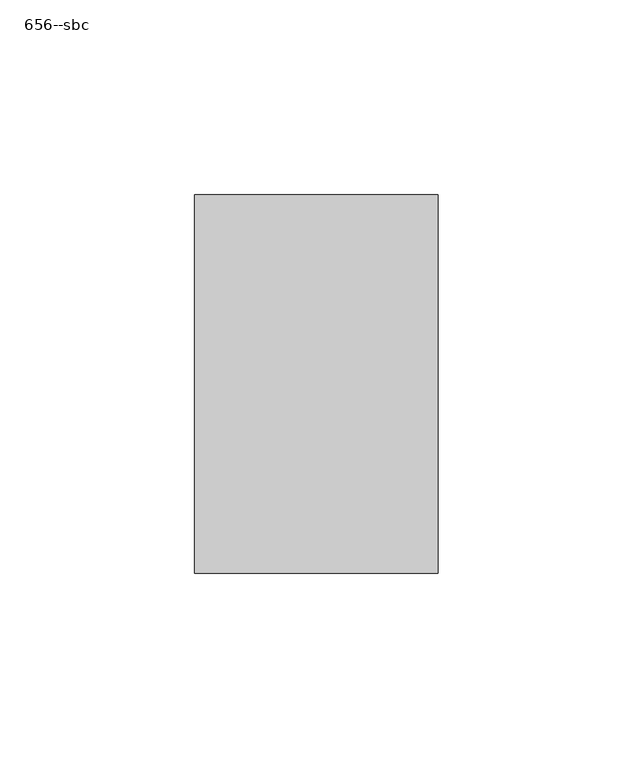
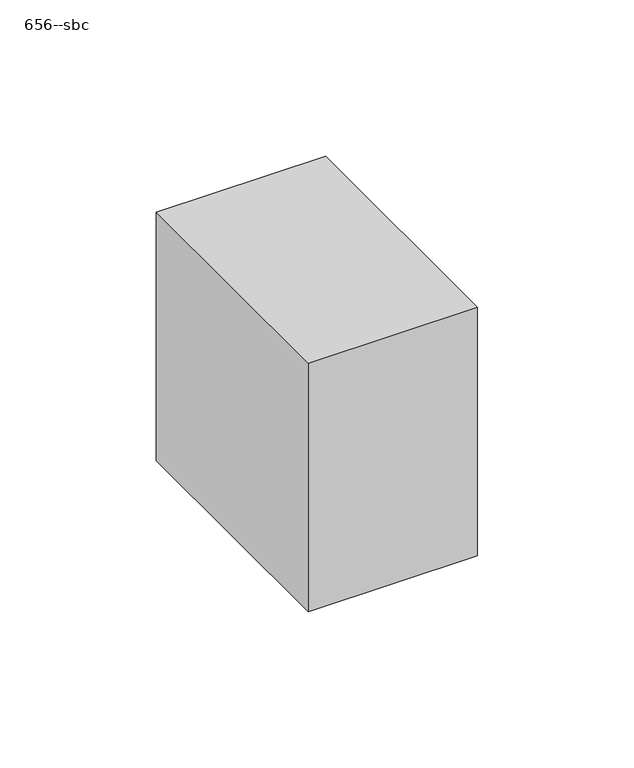
"""IFC4 building model written with IfcOpenShell, lengths in millimetres: proxy geometry, 656--sbc."""

from ifc_helpers import new_model, si_unit, frame, origin, place, context, project, spatial, polyline, outline, extrude, source, transform, mapped, element, save


def proxy_656_sbc_9c460cfe(model_context):
    return source(origin(), model_context, "Body", "SweptSolid", [
        extrude(outline(polyline([(-968.7106378, 81.1429439), (-968.7106378, -15.8850561), (-1031.1946378, -15.8850561), (-1031.1946378, 81.1429439), (-968.7106378, 81.1429439)])), frame((0.0, 0.0, 2950.972), z_axis=(0.0, 0.0, 1.0), x_axis=(1.0, 0.0, 0.0)), (0.0, 0.0, 1.0), 97.028),
    ])


if __name__ == "__main__":
    model = new_model("IFC4")
    model_context = context("Model", 3, world=origin())
    ifc_project = project(units=[si_unit("LENGTHUNIT", "METRE", prefix="MILLI")], contexts=[model_context])
    site = spatial("IfcSite", under=ifc_project)
    building = spatial("IfcBuilding", under=site)
    placement = place(None, origin())
    proxy_656_sbc_shape = proxy_656_sbc_9c460cfe(model_context)
    element("IfcBuildingElementProxy", 1, Name="656--sbc", ObjectType="656--sbc", at=placement, inside=building, context=model_context, shape_type="MappedRepresentation", body=[
        mapped(proxy_656_sbc_shape, transform((0.0, 0.0, 0.0), x_axis=(1.0, 0.0, 0.0), y_axis=(0.0, 1.0, 0.0), z_axis=(0.0, 0.0, 1.0))),
    ])
    save(model, "model.ifc")
